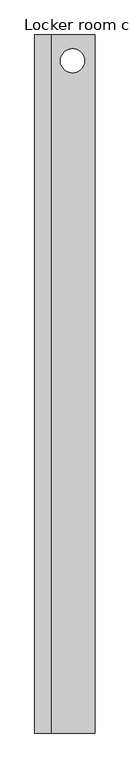
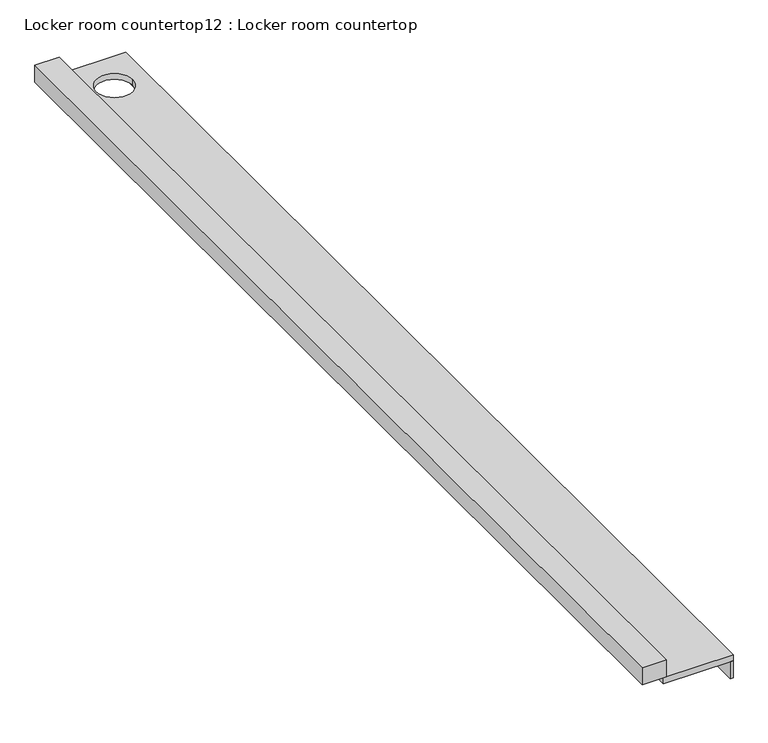
"""IFC4 building model written with IfcOpenShell, lengths in millimetres: furniture geometry, Locker room countertop12 : Locker room countertop."""

from ifc_helpers import new_model, si_unit, point, frame, frame_2d, origin, place, context, project, spatial, polyline, circle_curve, trimmed, segment, composite_curve, outline, extrude, source, transform, mapped, element, save


def locker_room_countertop12_locker_room_countertop_41516ff6(model_context):
    return source(origin(), model_context, "Body", "SweptSolid", [
        extrude(outline(polyline([(461633.6754676, -349073.0080223), (461608.2754676, -349073.0080223), (461608.2754676, -340267.1455223), (461633.6754676, -340267.1455223), (461633.6754676, -349073.0080223)])), frame((0.0, 0.0, 660.4), z_axis=(0.0, 0.0, 1.0), x_axis=(1.0, 0.0, 0.0)), (0.0, 0.0, 1.0), 152.4),
        extrude(outline(polyline([(461074.8754676, -340267.1455223), (461074.8754676, -349073.0080223), (460871.6754676, -349073.0080223), (460871.6754676, -340267.1455223), (461074.8754676, -340267.1455223)])), frame((0.0, 0.0, 863.6), z_axis=(0.0, 0.0, 1.0), x_axis=(1.0, 0.0, 0.0)), (0.0, 0.0, 1.0), 152.4),
        extrude(outline(polyline([(461633.6754676, -340267.1455223), (461633.6754676, -349073.0080223), (461049.4754676, -349073.0080223), (461049.4754676, -340267.1455223), (461633.6754676, -340267.1455223)]), holes=[composite_curve([segment(trimmed(circle_curve(frame_2d((461349.424105, -340593.253905)), 152.4), [point((461197.024105, -340593.253905))], [point((461501.824105, -340593.253905))], True, "CARTESIAN"), True, "CONTINUOUS"), segment(trimmed(circle_curve(frame_2d((461349.424105, -340593.253905)), 152.4), [point((461501.824105, -340593.253905))], [point((461197.024105, -340593.253905))], True, "CARTESIAN"), True, "CONTINUOUS")], self_intersect=False)]), frame((0.0, 0.0, 812.8), z_axis=(0.0, 0.0, 1.0), x_axis=(1.0, 0.0, 0.0)), (0.0, 0.0, 1.0), 50.8),
    ])


if __name__ == "__main__":
    model = new_model("IFC4")
    model_context = context("Model", 3, world=origin())
    ifc_project = project(units=[si_unit("LENGTHUNIT", "METRE", prefix="MILLI")], contexts=[model_context])
    site = spatial("IfcSite", under=ifc_project)
    building = spatial("IfcBuilding", under=site)
    placement = place(None, origin())
    locker_room_countertop12_locker_room_countertop_shape = locker_room_countertop12_locker_room_countertop_41516ff6(model_context)
    element("IfcFurniture", 1, ObjectType="Locker room countertop12 : Locker room countertop", at=placement, inside=building, context=model_context, shape_type="MappedRepresentation", body=[
        mapped(locker_room_countertop12_locker_room_countertop_shape, transform((0.0, 0.0, 0.0), x_axis=(1.0, 0.0, 0.0), y_axis=(0.0, 1.0, 0.0), z_axis=(0.0, 0.0, 1.0))),
    ])
    save(model, "model.ifc")
